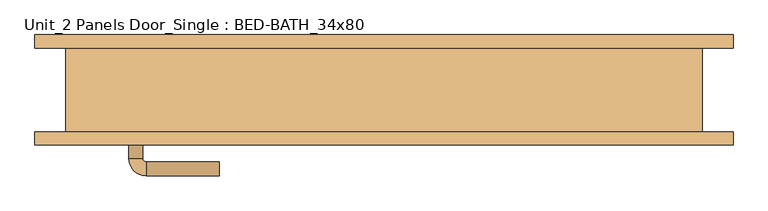
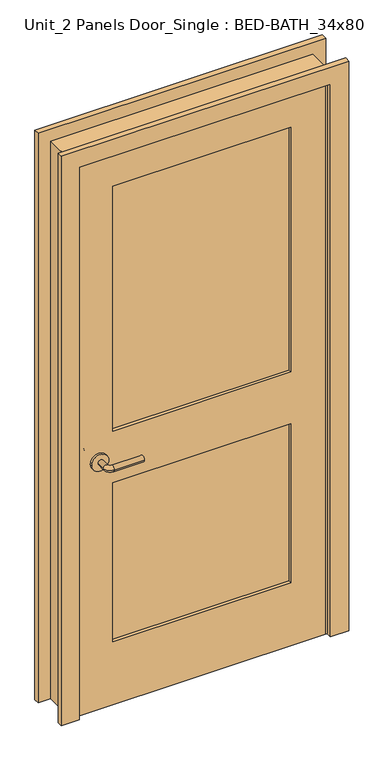
"""IFC4 building model written with IfcOpenShell, lengths in millimetres: door geometry, Unit_2 Panels Door_Single : BED-BATH_34x80."""

from ifc_helpers import new_model, si_unit, point, frame, frame_2d, origin, place, context, project, spatial, polyline, circle_curve, ellipse_curve, trimmed, segment, composite_curve, outline, extrude, faceted_brep, source, transform, mapped, element, save
from ifc_brep_helpers import plane_surface, cylinder_surface, revolved_surface, advanced_brep


def unit_2_panels_door_single_bed_bath_34x80_5f91369a(model_context):
    return source(origin(), model_context, "Body", "SolidModel", [
        advanced_brep(
        [(-366.790625, -14.225, 914.4), (-346.790625, -14.225, 914.4), (-366.790625, 15.775, 914.4), (-346.790625, 15.775, 914.4), (-341.790625, 20.775, 914.4), (-341.790625, 40.775, 914.4), (-236.790625, 40.775, 914.4), (-236.790625, 20.775, 914.4)],
        [
            (0, 1, circle_curve(frame((-356.790625, -14.225, 914.4), z_axis=(0.0, -1.0, 0.0), x_axis=(1.0, 0.0, 0.0)), 10.0)),
            (1, 0, circle_curve(frame((-356.790625, -14.225, 914.4), z_axis=(0.0, -1.0, 0.0), x_axis=(1.0, 0.0, 0.0)), 10.0)),
            (0, 2),
            (2, 3, circle_curve(frame((-356.790625, 15.775, 914.4), z_axis=(0.0, -1.0, 0.0), x_axis=(1.0, 0.0, 0.0)), 10.0)),
            (3, 1),
            (3, 2, circle_curve(frame((-356.790625, 15.775, 914.4), z_axis=(0.0, -1.0, 0.0), x_axis=(1.0, 0.0, 0.0)), 10.0)),
            (4, 3, circle_curve(frame((-341.790625, 15.775, 914.4), z_axis=(0.0, 0.0, 1.0), x_axis=(-1.0, 0.0, 0.0)), 5.0)),
            (2, 5, circle_curve(frame((-341.790625, 15.775, 914.4), z_axis=(0.0, 0.0, -1.0), x_axis=(-1.0, 0.0, 0.0)), 25.0)),
            (5, 4, circle_curve(frame((-341.790625, 30.775, 914.4), z_axis=(-1.0, 0.0, 0.0), x_axis=(0.0, -1.0, 0.0)), 10.0)),
            (4, 5, circle_curve(frame((-341.790625, 30.775, 914.4), z_axis=(-1.0, 0.0, 0.0), x_axis=(0.0, -1.0, 0.0)), 10.0)),
            (6, 7, circle_curve(frame((-236.790625, 30.775, 914.4), z_axis=(1.0, 0.0, 0.0), x_axis=(0.0, -1.0, 0.0)), 10.0)),
            (7, 6, circle_curve(frame((-236.790625, 30.775, 914.4), z_axis=(1.0, 0.0, 0.0), x_axis=(0.0, -1.0, 0.0)), 10.0)),
            (5, 6),
            (7, 4),
        ],
        [
            plane_surface(frame((-356.790625, -14.225, 914.4), z_axis=(0.0, -1.0, 0.0), x_axis=(0.0, 0.0, 1.0))),
            cylinder_surface(frame((-356.790625, -14.225, 914.4), z_axis=(0.0, -1.0, 0.0), x_axis=(1.0, 0.0, 0.0)), 10.0),
            revolved_surface(trimmed(ellipse_curve(frame((-356.790625, 15.775, 914.4), z_axis=(0.0, -1.0, 0.0), x_axis=(1.0, 0.0, 0.0)), 10.0, 10.0), [point((-366.790625, 15.775, 914.4))], [point((-346.790625, 15.775, 914.4))], True, "CARTESIAN"), (-341.790625, 15.775, 914.4), (0.0, 0.0, -1.0)),
            revolved_surface(trimmed(ellipse_curve(frame((-356.790625, 15.775, 914.4), z_axis=(0.0, -1.0, 0.0), x_axis=(1.0, 0.0, 0.0)), 10.0, 10.0), [point((-346.790625, 15.775, 914.4))], [point((-366.790625, 15.775, 914.4))], True, "CARTESIAN"), (-341.790625, 15.775, 914.4), (0.0, 0.0, -1.0)),
            plane_surface(frame((-236.790625, 30.775, 914.4), z_axis=(1.0, 0.0, 0.0), x_axis=(0.0, 0.0, 1.0))),
            cylinder_surface(frame((-341.790625, 30.775, 914.4), z_axis=(-1.0, 0.0, 0.0), x_axis=(0.0, -1.0, 0.0)), 10.0),
        ],
        [
            (0, [[1, 2]]),
            (1, [[-1, 3, 4, 5]]),
            (1, [[-2, -5, 6, -3]]),
            (2, [[7, -4, 8, 9]]),
            (3, [[-8, -6, -7, 10]]),
            (4, [[11, 12]]),
            (5, [[-9, 13, -12, 14]]),
            (5, [[-10, -14, -11, -13]]),
        ],
    ),
        extrude(outline(composite_curve([segment(trimmed(circle_curve(frame_2d((914.4, -359.290625)), 30.0), [point((914.4, -389.290625))], [point((914.4, -329.290625))], False, "CARTESIAN"), True, "CONTINUOUS"), segment(trimmed(circle_curve(frame_2d((914.4, -359.290625)), 30.0), [point((914.4, -329.290625))], [point((914.4, -389.290625))], False, "CARTESIAN"), True, "CONTINUOUS")], self_intersect=False)), frame((0.0, -22.225, 0.0), z_axis=(0.0, 1.0, 0.0), x_axis=(0.0, 0.0, 1.0)), (0.0, 0.0, 1.0), 8.0),
        advanced_brep(
        [(-366.790625, -65.15, 914.4), (-346.790625, -65.15, 914.4), (-346.790625, -95.15, 914.4), (-366.790625, -95.15, 914.4), (-341.790625, -100.15, 914.4), (-341.790625, -120.15, 914.4), (-236.790625, -120.15, 914.4), (-236.790625, -100.15, 914.4)],
        [
            (0, 1, circle_curve(frame((-356.790625, -65.15, 914.4), z_axis=(0.0, 1.0, 0.0), x_axis=(1.0, 0.0, 0.0)), 10.0)),
            (1, 0, circle_curve(frame((-356.790625, -65.15, 914.4), z_axis=(0.0, 1.0, 0.0), x_axis=(1.0, 0.0, 0.0)), 10.0)),
            (1, 2),
            (2, 3, circle_curve(frame((-356.790625, -95.15, 914.4), z_axis=(0.0, 1.0, 0.0), x_axis=(1.0, 0.0, 0.0)), 10.0)),
            (3, 0),
            (3, 2, circle_curve(frame((-356.790625, -95.15, 914.4), z_axis=(0.0, 1.0, 0.0), x_axis=(1.0, 0.0, 0.0)), 10.0)),
            (4, 5, circle_curve(frame((-341.790625, -110.15, 914.4), z_axis=(-1.0, 0.0, 0.0), x_axis=(0.0, 1.0, 0.0)), 10.0)),
            (5, 3, circle_curve(frame((-341.790625, -95.15, 914.4), z_axis=(0.0, 0.0, -1.0), x_axis=(-1.0, 0.0, 0.0)), 25.0)),
            (2, 4, circle_curve(frame((-341.790625, -95.15, 914.4), z_axis=(0.0, 0.0, 1.0), x_axis=(-1.0, 0.0, 0.0)), 5.0)),
            (5, 4, circle_curve(frame((-341.790625, -110.15, 914.4), z_axis=(-1.0, 0.0, 0.0), x_axis=(0.0, 1.0, 0.0)), 10.0)),
            (6, 7, circle_curve(frame((-236.790625, -110.15, 914.4), z_axis=(1.0, 0.0, 0.0), x_axis=(0.0, 1.0, 0.0)), 10.0)),
            (7, 6, circle_curve(frame((-236.790625, -110.15, 914.4), z_axis=(1.0, 0.0, 0.0), x_axis=(0.0, 1.0, 0.0)), 10.0)),
            (4, 7),
            (6, 5),
        ],
        [
            plane_surface(frame((-356.790625, -65.15, 914.4), z_axis=(0.0, 1.0, 0.0), x_axis=(0.0, 0.0, 1.0))),
            cylinder_surface(frame((-356.790625, -65.15, 914.4), z_axis=(0.0, 1.0, 0.0), x_axis=(1.0, 0.0, 0.0)), 10.0),
            revolved_surface(trimmed(ellipse_curve(frame((-356.790625, -95.15, 914.4), z_axis=(0.0, -1.0, 0.0), x_axis=(1.0, 0.0, 0.0)), 10.0, 10.0), [point((-366.790625, -95.15, 914.4))], [point((-346.790625, -95.15, 914.4))], True, "CARTESIAN"), (-341.790625, -95.15, 914.4), (0.0, 0.0, -1.0)),
            revolved_surface(trimmed(ellipse_curve(frame((-356.790625, -95.15, 914.4), z_axis=(0.0, -1.0, 0.0), x_axis=(1.0, 0.0, 0.0)), 10.0, 10.0), [point((-346.790625, -95.15, 914.4))], [point((-366.790625, -95.15, 914.4))], True, "CARTESIAN"), (-341.790625, -95.15, 914.4), (0.0, 0.0, -1.0)),
            plane_surface(frame((-236.790625, -110.15, 914.4), z_axis=(1.0, 0.0, 0.0), x_axis=(0.0, 0.0, 1.0))),
            cylinder_surface(frame((-341.790625, -110.15, 914.4), z_axis=(-1.0, 0.0, 0.0), x_axis=(0.0, 1.0, 0.0)), 10.0),
        ],
        [
            (0, [[1, 2]]),
            (1, [[3, 4, 5, -2]]),
            (1, [[-5, 6, -3, -1]]),
            (2, [[7, 8, -4, 9]]),
            (3, [[10, -9, -6, -8]]),
            (4, [[11, 12]]),
            (5, [[13, -11, 14, -7]]),
            (5, [[-14, -12, -13, -10]]),
        ],
    ),
        extrude(outline(composite_curve([segment(trimmed(circle_curve(frame_2d((914.4, -359.290625)), 30.0), [point((914.4, -389.290625))], [point((914.4, -329.290625))], False, "CARTESIAN"), True, "CONTINUOUS"), segment(trimmed(circle_curve(frame_2d((914.4, -359.290625)), 30.0), [point((914.4, -329.290625))], [point((914.4, -389.290625))], False, "CARTESIAN"), True, "CONTINUOUS")], self_intersect=False)), frame((0.0, -65.15, 0.0), z_axis=(0.0, 1.0, 0.0), x_axis=(0.0, 0.0, 1.0)), (0.0, 0.0, 1.0), 8.0),
        extrude(outline(polyline([(311.15, -33.8666667), (311.15, -45.5083333), (-311.15, -45.5083333), (-311.15, -33.8666667), (311.15, -33.8666667)])), frame((0.0, 0.0, 1009.65), z_axis=(0.0, 0.0, 1.0), x_axis=(1.0, 0.0, 0.0)), (0.0, 0.0, 1.0), 903.2875),
        extrude(outline(polyline([(311.15, -33.8666667), (311.15, -45.5083333), (-311.15, -45.5083333), (-311.15, -33.8666667), (311.15, -33.8666667)])), frame((0.0, 0.0, 231.775), z_axis=(0.0, 0.0, 1.0), x_axis=(1.0, 0.0, 0.0)), (0.0, 0.0, 1.0), 587.375),
        extrude(outline(polyline([(2032.0, -431.8), (0.0, -431.8), (0.0, 431.8), (2032.0, 431.8), (2032.0, -431.8)]), holes=[polyline([(1912.9375, -311.15), (1912.9375, 311.15), (1009.65, 311.15), (1009.65, -311.15), (1912.9375, -311.15)]), polyline([(819.15, -311.15), (819.15, 311.15), (231.775, 311.15), (231.775, -311.15), (819.15, -311.15)])]), frame((0.0, -57.15, 0.0), z_axis=(0.0, 1.0, 0.0), x_axis=(0.0, 0.0, 1.0)), (0.0, 0.0, 1.0), 34.925),
        faceted_brep([(457.2, -57.15, 0.0), (431.8, -57.15, 0.0), (431.8, -22.225, 0.0), (419.1, -22.225, 0.0), (419.1, 12.7, 0.0), (431.8, 12.7, 0.0), (431.8, 63.5, 0.0), (457.2, 63.5, 0.0), (457.2, 63.5, 2057.4), (457.2, -57.15, 2057.4), (431.8, 63.5, 2032.0), (-431.8, 63.5, 2032.0), (-431.8, 63.5, 0.0), (-457.2, 63.5, 0.0), (-457.2, 63.5, 2057.4), (431.8, 12.7, 2032.0), (419.1, 12.7, 2019.3), (-419.1, 12.7, 2019.3), (-419.1, 12.7, 0.0), (-431.8, 12.7, 0.0), (-431.8, 12.7, 2032.0), (419.1, -22.225, 2019.3), (431.8, -22.225, 2032.0), (-431.8, -22.225, 2032.0), (-431.8, -22.225, 0.0), (-419.1, -22.225, 0.0), (-419.1, -22.225, 2019.3), (431.8, -57.15, 2032.0), (-457.2, -57.15, 2057.4), (-457.2, -57.15, 0.0), (-431.8, -57.15, 0.0), (-431.8, -57.15, 2032.0)], [[[0, 1, 2, 3, 4, 5, 6, 7]], [[7, 8, 9, 0]], [[6, 10, 11, 12, 13, 14, 8, 7]], [[5, 15, 10, 6]], [[4, 16, 17, 18, 19, 20, 15, 5]], [[3, 21, 16, 4]], [[2, 22, 23, 24, 25, 26, 21, 3]], [[1, 27, 22, 2]], [[0, 9, 28, 29, 30, 31, 27, 1]], [[8, 14, 28, 9]], [[15, 20, 11, 10]], [[21, 26, 17, 16]], [[27, 31, 23, 22]], [[29, 13, 12, 19, 18, 25, 24, 30]], [[14, 13, 29, 28]], [[20, 19, 12, 11]], [[26, 25, 18, 17]], [[31, 30, 24, 23]]]),
        extrude(outline(polyline([(0.0, 501.65), (2101.85, 501.65), (2101.85, -501.65), (0.0, -501.65), (0.0, -438.15), (2038.35, -438.15), (2038.35, 438.15), (0.0, 438.15), (0.0, 501.65)])), frame((0.0, 63.5, 0.0), z_axis=(0.0, 1.0, 0.0), x_axis=(0.0, 0.0, 1.0)), (0.0, 0.0, 1.0), 19.05),
        extrude(outline(polyline([(0.0, 501.65), (2101.85, 501.65), (2101.85, -501.65), (0.0, -501.65), (0.0, -438.15), (2038.35, -438.15), (2038.35, 438.15), (0.0, 438.15), (0.0, 501.65)])), frame((0.0, -76.2, 0.0), z_axis=(0.0, 1.0, 0.0), x_axis=(0.0, 0.0, 1.0)), (0.0, 0.0, 1.0), 19.05),
    ])


if __name__ == "__main__":
    model = new_model("IFC4")
    model_context = context("Model", 3, world=origin())
    ifc_project = project(units=[si_unit("LENGTHUNIT", "METRE", prefix="MILLI")], contexts=[model_context])
    site = spatial("IfcSite", under=ifc_project)
    building = spatial("IfcBuilding", under=site)
    placement = place(None, origin())
    unit_2_panels_door_single_bed_bath_34x80_shape = unit_2_panels_door_single_bed_bath_34x80_5f91369a(model_context)
    element("IfcDoor", 1, ObjectType="Unit_2 Panels Door_Single : BED-BATH_34x80", at=placement, inside=building, context=model_context, shape_type="MappedRepresentation", body=[
        mapped(unit_2_panels_door_single_bed_bath_34x80_shape, transform((0.0, 0.0, 0.0), x_axis=(1.0, 0.0, 0.0), y_axis=(0.0, 1.0, 0.0), z_axis=(0.0, 0.0, 1.0))),
    ])
    save(model, "model.ifc")
